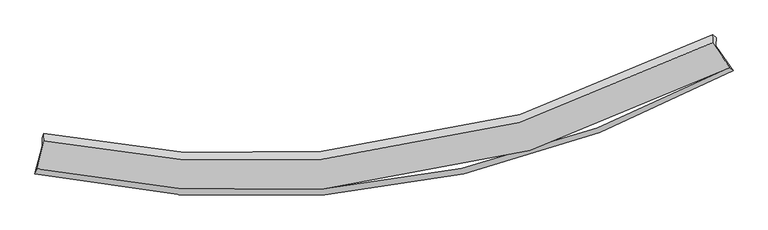
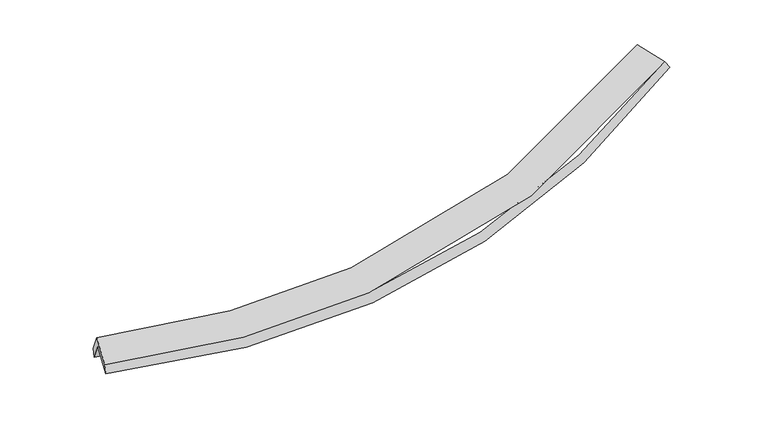
"""IFC4 building model written with IfcOpenShell, lengths in millimetres: proxy geometry."""

from ifc_helpers import new_model, si_unit, frame, origin, place, context, project, spatial, source, transform, mapped, element, save
from ifc_brep_helpers import plane_surface, spline_curve, spline_surface, advanced_brep


def generic_models_b730254f(model_context):
    return source(origin(), model_context, "Body", "AdvancedBrep", [
        advanced_brep(
        [(-6850.1424361, -2717.9219821, 1441.1637939), (-6701.3173727, -2128.058309, 1710.2004878), (7437.4322801, -22.7471532, 2926.8844295), (7797.7632236, -543.3891238, 2698.0904965), (-6694.8333846, -1961.9925815, 1342.5141379), (7444.055166, 146.8759794, 2551.3216243), (-6660.8008046, -1866.1998615, 1509.7073322), (7372.4315888, 206.5721345, 2687.55513), (-6667.1065661, -2027.7009093, 1867.2870185), (7365.8922381, 39.0884792, 3058.3809156), (-6815.0297205, -2613.9898933, 1599.8807396), (7726.2656029, -481.6147858, 2829.5600471)],
        [
            (0, 1),
            (1, 2, spline_curve(3, [(-6701.3173727, -2128.058309, 1710.2004878), (-4702.884947279, -2545.04868739, 1569.03478374), (-2745.144377907, -2680.424354814, 1550.432175236), (2016.686776079, -2317.175562818, 1808.66363384), (4771.862757011, -1480.029510201, 2232.827556872), (7437.4322801, -22.7471532, 2926.8844295)], [4, 2, 4], [0.0, 19.67439550854933, 48.86998895166568])),
            (2, 3),
            (3, 0, spline_curve(3, [(7797.7632236, -543.3891238, 2698.0904965), (5035.498308631, -2066.902045579, 1972.415374246), (2180.820978626, -2938.946770254, 1530.734785594), (-2752.260566576, -3308.165928978, 1266.786882208), (-4780.218456688, -3160.965490139, 1289.491902304), (-6850.1424361, -2717.9219821, 1441.1637939)], [4, 2, 4], [0.0, 29.19559344311635, 48.86998895166568])),
            (1, 4),
            (4, 5, spline_curve(3, [(-6694.8333846, -1961.9925815, 1342.5141379), (-4696.508019306, -2381.724937779, 1207.419451448), (-2738.8239047, -2518.5465109, 1192.018223382), (2022.992718228, -2155.669891919, 1451.073712581), (4778.271453233, -1315.892132016, 1869.410769461), (7444.055166, 146.8759794, 2551.3216243)], [4, 2, 4], [0.0, 19.322038258641303, 47.99475520420127])),
            (5, 2),
            (4, 6),
            (6, 7, spline_curve(3, [(-6660.8008046, -1866.1998615, 1509.7073322), (-4681.778942478, -2265.489248952, 1371.656979473), (-2741.335106369, -2392.048042449, 1352.817390403), (1982.782648852, -2028.966276105, 1602.133218488), (4720.082944019, -1211.483483932, 2013.588739566), (7372.4315888, 206.5721345, 2687.55513)], [4, 2, 4], [0.0, 19.237970409458494, 47.785935834936836])),
            (7, 5),
            (6, 8),
            (8, 9, spline_curve(3, [(-6667.1065661, -2027.7009093, 1867.2870185), (-4688.178668096, -2429.396862536, 1734.565045922), (-2747.803586357, -2557.71658285, 1719.624327283), (1976.206002999, -2197.405123581, 1975.073897081), (4713.497190038, -1380.155606722, 2387.04591436), (7365.8922381, 39.0884792, 3058.3809156)], [4, 2, 4], [0.0, 19.153999510515938, 47.57735728410914])),
            (9, 7),
            (8, 10),
            (10, 11, spline_curve(3, [(-6815.0297205, -2613.9898933, 1599.8807396), (-4765.644210108, -3037.250764228, 1458.661450069), (-2755.71593312, -3174.910371434, 1440.72890707), (2138.813004209, -2807.432391377, 1702.422273436), (4975.983168118, -1958.981082148, 2130.247918199), (7726.2656029, -481.6147858, 2829.5600471)], [4, 2, 4], [0.0, 19.50273450933429, 48.44359358254618])),
            (11, 9),
            (10, 0),
            (3, 11),
        ],
        [
            spline_surface(3, 3, [[(-6850.1424361, -2717.9219821, 1441.1637939), (-4780.218456878, -3160.965490397, 1289.491902459), (-2752.260566543, -3308.165928872, 1266.786882017), (2180.820978577, -2938.94677041, 1530.734785878), (5035.498308164, -2066.902045854, 1972.415373851), (7797.7632236, -543.3891238, 2698.0904965)], [(-6800.534081649, -2521.300757732, 1530.84269186), (-4754.440620439, -2955.659889299, 1382.67286283), (-2749.888503694, -3098.918737516, 1361.335313052), (2126.109577745, -2731.689701191, 1623.377735301), (4947.619791274, -1871.277867176, 2059.219434731), (7677.652909109, -369.841800279, 2774.35514082)], [(-6750.925727151, -2324.679533368, 1620.52158984), (-4728.662783954, -2750.354288206, 1475.853823223), (-2747.516440792, -2889.671546192, 1455.883744031), (2071.398176965, -2524.432632005, 1716.020684669), (4859.741274357, -1675.65368846, 2146.023495651), (7557.542594591, -196.294476721, 2850.61978518)], [(-6701.3173727, -2128.058309, 1710.2004878), (-4702.884947515, -2545.048687108, 1569.034783594), (-2745.144377943, -2680.424354836, 1550.432175066), (2016.686776132, -2317.175562786, 1808.663634093), (4771.862757467, -1480.029509782, 2232.827556531), (7437.4322801, -22.7471532, 2926.8844295)]], [4, 4], [4, 2, 4], [0.0, 2.2630963298754696], [0.0, 19.67439550854933, 48.86998895166568]),
            spline_surface(3, 3, [[(-6701.3173727, -2128.058309, 1710.2004878), (-4702.884947515, -2545.048687108, 1569.034783594), (-2745.144377943, -2680.424354836, 1550.432175066), (2016.686776132, -2317.175562786, 1808.663634093), (4771.862757467, -1480.029509782, 2232.827556531), (7437.4322801, -22.7471532, 2926.8844295)], [(-6699.156043341, -2072.703066488, 1587.638371171), (-4700.759304738, -2490.607437355, 1448.496339559), (-2743.037553481, -2626.465073466, 1430.960857875), (2018.788756792, -2263.34033926, 1689.466993538), (4773.998989536, -1425.317050643, 2111.688627428), (7439.639908742, 33.793891002, 2801.696827759)], [(-6696.994713959, -2017.347824012, 1465.076254529), (-4698.633661938, -2436.166187639, 1327.957895509), (-2740.930729058, -2572.505792084, 1311.489540679), (2020.890737413, -2209.50511572, 1570.270352979), (4776.13522158, -1370.60459151, 1990.549698348), (7441.847537358, 90.334935198, 2676.509226041)], [(-6694.8333846, -1961.9925815, 1342.5141379), (-4696.50801916, -2381.724937886, 1207.419451474), (-2738.823904596, -2518.546510714, 1192.018223488), (2022.992718073, -2155.669892194, 1451.073712424), (4778.271453649, -1315.892132371, 1869.410769246), (7444.055166, 146.8759794, 2551.3216243)]], [4, 4], [4, 2, 4], [0.0, 1.2901912987690904], [0.0, 19.322038258641303, 47.99475520420127]),
            spline_surface(3, 3, [[(-6694.8333846, -1961.9925815, 1342.5141379), (-4696.50801916, -2381.724937886, 1207.419451474), (-2738.823904596, -2518.546510714, 1192.018223488), (2022.992718073, -2155.669892194, 1451.073712424), (4778.271453649, -1315.892132371, 1869.410769246), (7444.055166, 146.8759794, 2551.3216243)], [(-6683.489191255, -1930.061674857, 1398.245202649), (-4691.598326971, -2342.979708297, 1262.165294186), (-2739.660971867, -2476.380354673, 1245.617945885), (2009.589361674, -2113.435353425, 1501.426880987), (4758.87528368, -1281.089249478, 1917.470092727), (7420.180640252, 166.774697772, 2596.73279286)], [(-6672.144997945, -1898.130768143, 1453.976267451), (-4686.688634817, -2304.234478638, 1316.91113695), (-2740.498039124, -2434.214198635, 1299.217668268), (1996.18600529, -2071.20081466, 1551.780049536), (4739.479113755, -1246.286366601, 1965.52941623), (7396.306114548, 186.673416128, 2642.14396144)], [(-6660.8008046, -1866.1998615, 1509.7073322), (-4681.778942627, -2265.489249049, 1371.656979662), (-2741.335106395, -2392.048042593, 1352.817390665), (1982.782648891, -2028.966275891, 1602.1332181), (4720.082943786, -1211.483483708, 2013.588739711), (7372.4315888, 206.5721345, 2687.55513)]], [4, 4], [4, 2, 4], [0.0, 0.6569159812038826], [0.0, 19.237970409458494, 47.785935834936836]),
            spline_surface(3, 3, [[(-6660.8008046, -1866.1998615, 1509.7073322), (-4681.778942627, -2265.489249049, 1371.656979662), (-2741.335106395, -2392.048042593, 1352.817390665), (1982.782648891, -2028.966275891, 1602.1332181), (4720.082943786, -1211.483483708, 2013.588739711), (7372.4315888, 206.5721345, 2687.55513)], [(-6662.902725094, -1920.033544094, 1628.900560975), (-4683.912184338, -2320.125120143, 1492.62633507), (-2743.4912664, -2447.270889322, 1475.086369611), (1980.590433601, -2085.112558482, 1726.446777627), (4717.887692437, -1267.707524835, 2138.074464517), (7370.251805248, 150.744249396, 2811.163725225)], [(-6665.004645606, -1973.867226706, 1748.093789725), (-4686.045426067, -2374.760991256, 1613.595690454), (-2745.647426383, -2502.49373606, 1597.355348586), (1978.398218333, -2141.258841083, 1850.760337183), (4715.692441044, -1323.931565949, 2262.560189247), (7368.072021652, 94.916364304, 2934.772320375)], [(-6667.1065661, -2027.7009093, 1867.2870185), (-4688.178667778, -2429.39686235, 1734.565045862), (-2747.803586387, -2557.716582788, 1719.624327533), (1976.206003044, -2197.405123674, 1975.073896711), (4713.497189695, -1380.155607076, 2387.045914053), (7365.8922381, 39.0884792, 3058.3809156)]], [4, 4], [4, 2, 4], [0.0, 1.3350967193726253], [0.0, 19.153999510515938, 47.57735728410914]),
            spline_surface(3, 3, [[(-6667.1065661, -2027.7009093, 1867.2870185), (-4688.178667778, -2429.39686235, 1734.565045862), (-2747.803586387, -2557.716582788, 1719.624327533), (1976.206003044, -2197.405123674, 1975.073896711), (4713.497189695, -1380.155607076, 2387.045914053), (7365.8922381, 39.0884792, 3058.3809156)], [(-6716.414284231, -2223.130570634, 1778.151592183), (-4714.000515249, -2632.014829546, 1642.597180598), (-2750.44103529, -2763.447845587, 1626.659187458), (2030.408336776, -2400.747546387, 1884.190022204), (4800.99251587, -1573.097432073, 2301.446582182), (7486.016693002, -134.479275792, 2982.107292756)], [(-6765.722002369, -2418.560231966, 1689.016165917), (-4739.822362729, -2834.632796741, 1550.629315386), (-2753.07848422, -2969.179108359, 1533.69404734), (2084.610670481, -2604.089969073, 1793.306147654), (4888.487842139, -1766.039257092, 2215.847250343), (7606.141147998, -308.047030808, 2905.833669944)], [(-6815.0297205, -2613.9898933, 1599.8807396), (-4765.6442102, -3037.250763937, 1458.661450123), (-2755.715933123, -3174.910371159, 1440.728907265), (2138.813004214, -2807.432391786, 1702.422273146), (4975.983168314, -1958.981082089, 2130.247918472), (7726.2656029, -481.6147858, 2829.5600471)]], [4, 4], [4, 2, 4], [0.0, 2.2232954239046605], [0.0, 19.50273450933429, 48.44359358254618]),
            spline_surface(3, 3, [[(-6815.0297205, -2613.9898933, 1599.8807396), (-4765.6442102, -3037.250763937, 1458.661450123), (-2755.715933123, -3174.910371159, 1440.728907265), (2138.813004214, -2807.432391786, 1702.422273146), (4975.983168314, -1958.981082089, 2130.247918472), (7726.2656029, -481.6147858, 2829.5600471)], [(-6826.73395903, -2648.633922896, 1546.975091062), (-4770.502292423, -3078.489006086, 1402.27160093), (-2754.564144256, -3219.328890399, 1382.748232153), (2152.815662342, -2851.270517997, 1645.193110695), (4995.821548278, -1994.954736676, 2077.637070278), (7750.098143147, -502.206231798, 2785.73686358)], [(-6838.43819757, -2683.277952504, 1494.069442438), (-4775.360374655, -3119.727248248, 1345.881751652), (-2753.41235541, -3263.747409632, 1324.767557128), (2166.818320449, -2895.1086442, 1587.96394833), (5015.6599282, -2030.928391267, 2025.026222045), (7773.930683353, -522.797677802, 2741.91368002)], [(-6850.1424361, -2717.9219821, 1441.1637939), (-4780.218456878, -3160.965490397, 1289.491902459), (-2752.260566543, -3308.165928872, 1266.786882017), (2180.820978577, -2938.94677041, 1530.734785878), (5035.498308164, -2066.902045854, 1972.415373851), (7797.7632236, -543.3891238, 2698.0904965)]], [4, 4], [4, 2, 4], [0.0, 0.7129525996337133], [0.0, 19.9390536195511, 49.527383429427644]),
            plane_surface(frame((7523.9733499, -109.2024116, 2791.9654405), z_axis=(0.8445607593275816, 0.48225159909830884, 0.23270264066216143), x_axis=(0.5352185541887239, -0.773336977526599, -0.33983969521254676))),
            plane_surface(frame((-6731.5383808, -2219.3105895, 1578.4589183), z_axis=(-0.9745174378978827, 0.21037600029879666, 0.07783123878769385), x_axis=(0.18198772800985696, 0.5386756446287834, 0.822623253219586))),
        ],
        [
            (0, [[1, 2, 3, 4]]),
            (1, [[5, 6, 7, -2]]),
            (2, [[8, 9, 10, -6]]),
            (3, [[11, 12, 13, -9]]),
            (4, [[14, 15, 16, -12]]),
            (5, [[17, -4, 18, -15]]),
            (6, [[-16, -18, -3, -7, -10, -13]]),
            (7, [[-17, -14, -11, -8, -5, -1]]),
        ],
    ),
    ])


if __name__ == "__main__":
    model = new_model("IFC4")
    model_context = context("Model", 3, world=origin())
    ifc_project = project(units=[si_unit("LENGTHUNIT", "METRE", prefix="MILLI")], contexts=[model_context])
    site = spatial("IfcSite", under=ifc_project)
    building = spatial("IfcBuilding", under=site)
    placement = place(None, origin())
    generic_models_shape = generic_models_b730254f(model_context)
    element("IfcBuildingElementProxy", 1, Name="Generic Models", at=placement, inside=building, context=model_context, shape_type="MappedRepresentation", body=[
        mapped(generic_models_shape, transform((0.0, 0.0, 0.0), x_axis=(1.0, 0.0, 0.0), y_axis=(0.0, 1.0, 0.0), z_axis=(0.0, 0.0, 1.0))),
    ])
    save(model, "model.ifc")
